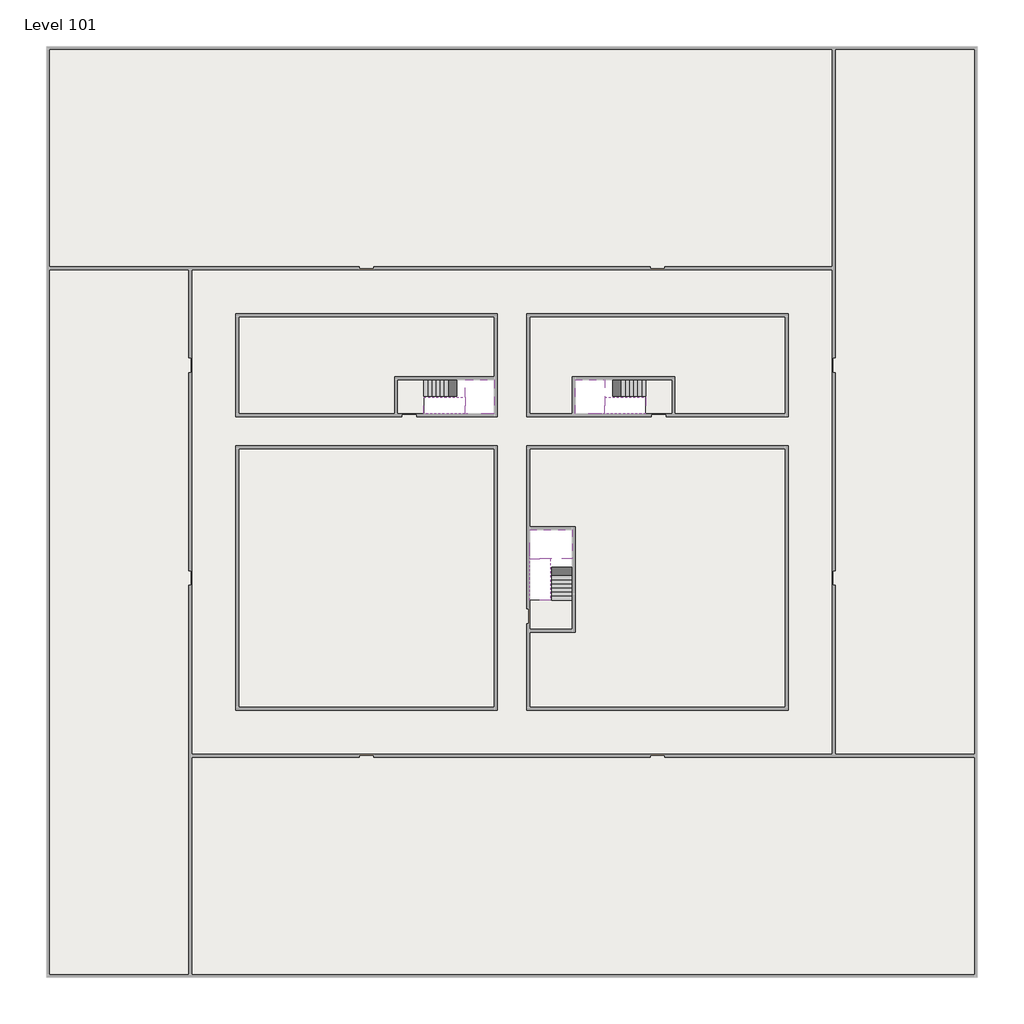
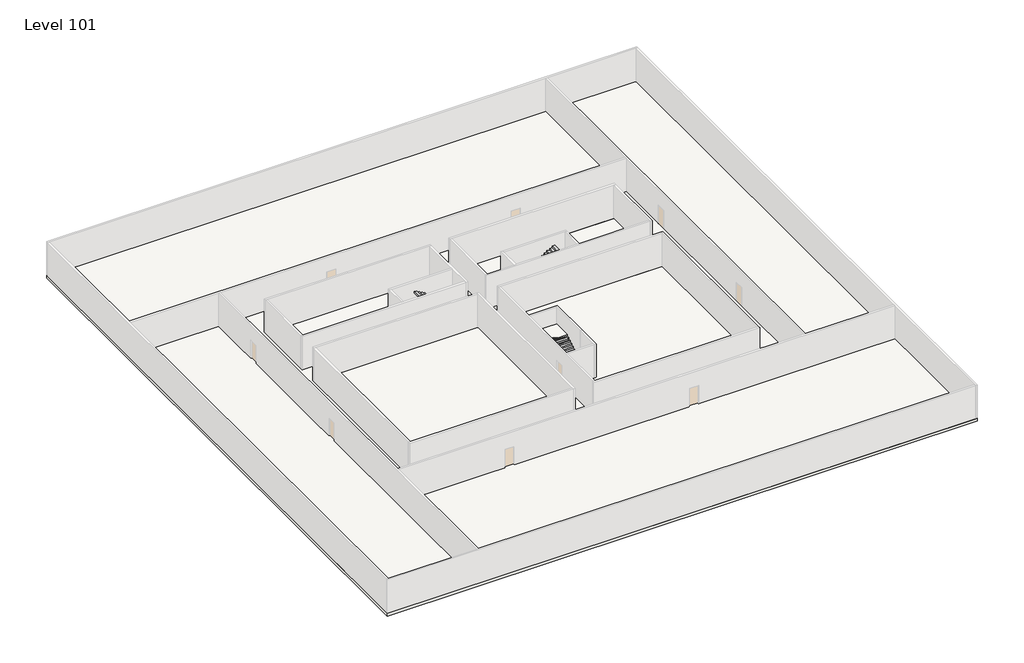
# One storey, part 2 of 2: 6 slabs, 6 stair flights.
"""IFC4 building model written with IfcOpenShell, lengths in millimetres."""

from ifc_helpers import new_model, si_unit, frame, origin, place, context, project, spatial, polyline, outline, extrude, faceted_brep, element, save

model = new_model("IFC4")

# Units and contexts
model_context = context("Model", 3, world=origin())
ifc_project = project(units=[si_unit("LENGTHUNIT", "METRE", prefix="MILLI")], contexts=[model_context])

# Site, building, storey
site = spatial("IfcSite", under=ifc_project)
building = spatial("IfcBuilding", under=site)
storey = spatial("IfcBuildingStorey", under=building, Name="Level 101", Elevation=380000.0)

# Slabs
placement = place(None, origin())
element("IfcSlab", 1, at=placement, inside=storey, context=model_context, shape_type="SweptSolid", body=[
    extrude(outline(polyline([(55890.1058784, -5518.09644), (55890.1058784, -68918.09644), (-7509.8941216, -68918.09644), (-7509.8941216, -5518.09644), (55890.1058784, -5518.09644)]), holes=[polyline([(22990.1058784, -23918.09644), (5590.1058784, -23918.09644), (5590.1058784, -30518.09644), (22990.1058784, -30518.09644), (22990.1058784, -23918.09644)]), polyline([(42990.1058784, -23918.09644), (25390.1058784, -23918.09644), (25390.1058784, -30518.09644), (42990.1058784, -30518.09644), (42990.1058784, -23918.09644)]), polyline([(25390.1058784, -50518.09644), (42790.1058784, -50518.09644), (42790.1058784, -32918.09644), (25390.1058784, -32918.09644), (25390.1058784, -50518.09644)]), polyline([(22990.1058784, -32918.09644), (5590.1058784, -32918.09644), (5590.1058784, -50518.09644), (22990.1058784, -50518.09644), (22990.1058784, -32918.09644)])]), frame((0.0, 0.0, 379700.0), z_axis=(0.0, 0.0, 1.0), x_axis=(1.0, 0.0, 0.0)), (0.0, 0.0, 1.0), 300.0),
])
element("IfcSlab", 2, at=placement, inside=storey, context=model_context, shape_type="SweptSolid", body=[
    extrude(outline(polyline([(22990.1058784, -23918.09644), (22990.1058784, -28018.09644), (16190.1058784, -28018.09644), (16190.1058784, -30518.09644), (5590.1058784, -30518.09644), (5590.1058784, -23918.09644), (22990.1058784, -23918.09644)])), frame((0.0, 0.0, 379700.0), z_axis=(0.0, 0.0, 1.0), x_axis=(1.0, 0.0, 0.0)), (0.0, 0.0, 1.0), 300.0),
    extrude(outline(polyline([(42790.1058784, -23918.09644), (42790.1058784, -30518.09644), (35290.1058784, -30518.09644), (35290.1058784, -28018.09644), (28490.1058784, -28018.09644), (28490.1058784, -30518.09644), (25390.1058784, -30518.09644), (25390.1058784, -23918.09644), (42790.1058784, -23918.09644)])), frame((0.0, 0.0, 379700.0), z_axis=(0.0, 0.0, 1.0), x_axis=(1.0, 0.0, 0.0)), (0.0, 0.0, 1.0), 300.0),
    extrude(outline(polyline([(22990.1058784, -32918.09644), (22990.1058784, -50518.09644), (5590.1058784, -50518.09644), (5590.1058784, -32918.09644), (22990.1058784, -32918.09644)])), frame((0.0, 0.0, 379700.0), z_axis=(0.0, 0.0, 1.0), x_axis=(1.0, 0.0, 0.0)), (0.0, 0.0, 1.0), 300.0),
    extrude(outline(polyline([(25390.1058784, -38218.09644), (25390.1058784, -32918.09644), (42790.1058784, -32918.09644), (42790.1058784, -50518.09644), (25390.1058784, -50518.09644), (25390.1058784, -45418.09644), (28490.1058784, -45418.09644), (28490.1058784, -38218.09644), (25390.1058784, -38218.09644)])), frame((0.0, 0.0, 379700.0), z_axis=(0.0, 0.0, 1.0), x_axis=(1.0, 0.0, 0.0)), (0.0, 0.0, 1.0), 300.0),
])
element("IfcSlab", 3, at=placement, inside=storey, context=model_context, shape_type="Brep", body=[
    faceted_brep([(26890.1058784, -40418.09644, 381900.0), (28290.1058784, -40418.09644, 381900.0), (28290.1058784, -40338.7100038, 381900.0), (28290.1058784, -38418.09644, 381900.0), (25390.1058784, -38418.09644, 381900.0), (25390.1058784, -40217.4828763, 381900.0), (25390.1058784, -40418.09644, 381900.0), (26790.1058784, -40418.09644, 381900.0), (26890.1058784, -40418.09644, 381600.0), (26890.1058784, -40418.09644, 381551.0278478), (28290.1058784, -40418.09644, 381551.0278478), (28290.1058784, -40418.09644, 381727.2727273), (28290.1058784, -40338.7100038, 381600.0), (28290.1058784, -38418.09644, 381600.0), (25390.1058784, -38418.09644, 381600.0), (25390.1058784, -40217.4828763, 381600.0), (25390.1058784, -40418.09644, 381723.7551205), (26790.1058784, -40418.09644, 381723.7551205), (26790.1058784, -40418.09644, 381600.0), (26790.1058784, -40217.4828763, 381600.0), (26890.1058784, -40338.7100038, 381600.0)], [[[0, 1, 2, 3, 4, 5, 6, 7]], [[1, 0, 8, 9, 10, 11]], [[1, 11, 10, 12, 13, 3, 2]], [[4, 3, 13, 14]], [[4, 14, 15, 16, 6, 5]], [[7, 6, 16, 17]], [[0, 7, 17, 18, 8]], [[18, 19, 15, 14, 13, 12, 20, 8]], [[19, 18, 17]], [[20, 12, 10, 9]], [[8, 20, 9]], [[15, 19, 17, 16]]]),
])
element("IfcSlab", 4, at=placement, inside=storey, context=model_context, shape_type="Brep", body=[
    faceted_brep([(20990.1058784, -28218.09644, 381900.0), (20990.1058784, -29318.09644, 381900.0), (20990.1058784, -29418.09644, 381900.0), (20990.1058784, -30518.09644, 381900.0), (21190.7194421, -30518.09644, 381900.0), (22990.1058784, -30518.09644, 381900.0), (22990.1058784, -28218.09644, 381900.0), (21069.4923146, -28218.09644, 381900.0), (20990.1058784, -28218.09644, 381727.2727273), (20990.1058784, -28218.09644, 381551.0278478), (20990.1058784, -29318.09644, 381551.0278478), (20990.1058784, -29318.09644, 381600.0), (20990.1058784, -29418.09644, 381600.0), (20990.1058784, -29418.09644, 381723.7551205), (20990.1058784, -30518.09644, 381723.7551205), (21190.7194421, -30518.09644, 381600.0), (22990.1058784, -30518.09644, 381600.0), (22990.1058784, -28218.09644, 381600.0), (21069.4923146, -28218.09644, 381600.0), (21190.7194421, -29418.09644, 381600.0), (21069.4923146, -29318.09644, 381600.0)], [[[0, 1, 2, 3, 4, 5, 6, 7]], [[1, 0, 8, 9, 10, 11]], [[2, 1, 11, 12, 13]], [[3, 2, 13, 14]], [[3, 14, 15, 16, 5, 4]], [[6, 5, 16, 17]], [[9, 8, 0, 7, 6, 17, 18]], [[19, 12, 11, 20, 18, 17, 16, 15]], [[12, 19, 13]], [[18, 20, 10, 9]], [[20, 11, 10]], [[19, 15, 14, 13]]]),
])
element("IfcSlab", 5, at=placement, inside=storey, context=model_context, shape_type="Brep", body=[
    faceted_brep([(30490.1058784, -29318.09644, 381900.0), (30490.1058784, -28218.09644, 381900.0), (30410.7194421, -28218.09644, 381900.0), (28490.1058784, -28218.09644, 381900.0), (28490.1058784, -30518.09644, 381900.0), (30289.4923146, -30518.09644, 381900.0), (30490.1058784, -30518.09644, 381900.0), (30490.1058784, -29418.09644, 381900.0), (30490.1058784, -29318.09644, 381600.0), (30490.1058784, -29318.09644, 381551.0278478), (30490.1058784, -28218.09644, 381551.0278478), (30490.1058784, -28218.09644, 381727.2727273), (30490.1058784, -29418.09644, 381723.7551205), (30490.1058784, -29418.09644, 381600.0), (30490.1058784, -30518.09644, 381723.7551205), (28490.1058784, -30518.09644, 381600.0), (30289.4923146, -30518.09644, 381600.0), (28490.1058784, -28218.09644, 381600.0), (30410.7194421, -28218.09644, 381600.0), (30289.4923146, -29418.09644, 381600.0), (30410.7194421, -29318.09644, 381600.0)], [[[0, 1, 2, 3, 4, 5, 6, 7]], [[1, 0, 8, 9, 10, 11]], [[0, 7, 12, 13, 8]], [[7, 6, 14, 12]], [[4, 15, 16, 14, 6, 5]], [[4, 3, 17, 15]], [[1, 11, 10, 18, 17, 3, 2]], [[13, 19, 16, 15, 17, 18, 20, 8]], [[20, 18, 10, 9]], [[8, 20, 9]], [[16, 19, 12, 14]], [[19, 13, 12]]]),
])
element("IfcSlab", 6, at=placement, inside=storey, context=model_context, shape_type="SweptSolid", body=[
    extrude(outline(polyline([(35090.1058784, -28218.09644), (35090.1058784, -30518.09644), (33290.1058784, -30518.09644), (33290.1058784, -28218.09644), (35090.1058784, -28218.09644)])), frame((0.0, 0.0, 379700.0), z_axis=(0.0, 0.0, 1.0), x_axis=(1.0, 0.0, 0.0)), (0.0, 0.0, 1.0), 300.0),
    extrude(outline(polyline([(18190.1058784, -28218.09644), (18190.1058784, -30518.09644), (16390.1058784, -30518.09644), (16390.1058784, -28218.09644), (18190.1058784, -28218.09644)])), frame((0.0, 0.0, 379700.0), z_axis=(0.0, 0.0, 1.0), x_axis=(1.0, 0.0, 0.0)), (0.0, 0.0, 1.0), 300.0),
    extrude(outline(polyline([(28290.1058784, -43218.09644), (28290.1058784, -45218.09644), (25390.1058784, -45218.09644), (25390.1058784, -43218.09644), (28290.1058784, -43218.09644)])), frame((0.0, 0.0, 379700.0), z_axis=(0.0, 0.0, 1.0), x_axis=(1.0, 0.0, 0.0)), (0.0, 0.0, 1.0), 300.0),
])

# Stair flights
element("IfcStairFlight", 7, at=placement, inside=storey, context=model_context, shape_type="Brep", body=[
    faceted_brep([(26890.1058784, -42938.09644, 380172.7272727), (26890.1058784, -43218.09644, 380172.7272727), (28290.1058784, -43218.09644, 380172.7272727), (28290.1058784, -42938.09644, 380172.7272727), (26890.1058784, -42938.09644, 380000.0), (26890.1058784, -43218.09644, 380000.0), (28290.1058784, -43218.09644, 380000.0), (28290.1058784, -42938.09644, 380000.0), (26890.1058784, -42658.09644, 380345.4545455), (26890.1058784, -42938.09644, 380345.4545455), (28290.1058784, -42938.09644, 380345.4545455), (28290.1058784, -42658.09644, 380345.4545455), (26890.1058784, -42658.09644, 380169.209666), (26890.1058784, -42932.3942143, 380000.0), (28290.1058784, -42932.3942143, 380000.0), (28290.1058784, -42658.09644, 380169.209666), (26890.1058784, -42378.09644, 380518.1818182), (26890.1058784, -42658.09644, 380518.1818182), (28290.1058784, -42658.09644, 380518.1818182), (28290.1058784, -42378.09644, 380518.1818182), (26890.1058784, -42378.09644, 380341.9369387), (28290.1058784, -42378.09644, 380341.9369387), (26890.1058784, -42098.09644, 380690.9090909), (26890.1058784, -42378.09644, 380690.9090909), (28290.1058784, -42378.09644, 380690.9090909), (28290.1058784, -42098.09644, 380690.9090909), (26890.1058784, -42098.09644, 380514.6642114), (28290.1058784, -42098.09644, 380514.6642114), (26890.1058784, -41818.09644, 380863.6363636), (26890.1058784, -42098.09644, 380863.6363636), (28290.1058784, -42098.09644, 380863.6363636), (28290.1058784, -41818.09644, 380863.6363636), (26890.1058784, -41818.09644, 380687.3914841), (28290.1058784, -41818.09644, 380687.3914841), (26890.1058784, -41538.09644, 381036.3636364), (26890.1058784, -41818.09644, 381036.3636364), (28290.1058784, -41818.09644, 381036.3636364), (28290.1058784, -41538.09644, 381036.3636364), (26890.1058784, -41538.09644, 380860.1187569), (28290.1058784, -41538.09644, 380860.1187569), (26890.1058784, -41258.09644, 381209.0909091), (26890.1058784, -41538.09644, 381209.0909091), (28290.1058784, -41538.09644, 381209.0909091), (28290.1058784, -41258.09644, 381209.0909091), (26890.1058784, -41258.09644, 381032.8460296), (28290.1058784, -41258.09644, 381032.8460296), (26890.1058784, -40978.09644, 381381.8181818), (26890.1058784, -41258.09644, 381381.8181818), (28290.1058784, -41258.09644, 381381.8181818), (28290.1058784, -40978.09644, 381381.8181818), (26890.1058784, -40978.09644, 381205.5733023), (28290.1058784, -40978.09644, 381205.5733023), (26890.1058784, -40698.09644, 381554.5454545), (26890.1058784, -40978.09644, 381554.5454545), (28290.1058784, -40978.09644, 381554.5454545), (28290.1058784, -40698.09644, 381554.5454545), (26890.1058784, -40698.09644, 381378.3005751), (28290.1058784, -40698.09644, 381378.3005751), (26890.1058784, -40418.09644, 381727.2727273), (26890.1058784, -40698.09644, 381727.2727273), (28290.1058784, -40698.09644, 381727.2727273), (28290.1058784, -40418.09644, 381727.2727273), (26890.1058784, -40418.09644, 381600.0), (26890.1058784, -40418.09644, 381551.0278478), (28290.1058784, -40418.09644, 381551.0278478)], [[[0, 1, 2, 3]], [[1, 0, 4, 5]], [[2, 1, 5, 6]], [[3, 2, 6, 7]], [[8, 9, 10, 11]], [[4, 0, 9, 8, 12, 13]], [[0, 3, 10, 9]], [[3, 7, 14, 15, 11, 10]], [[16, 17, 18, 19]], [[17, 16, 20, 12, 8]], [[8, 11, 18, 17]], [[19, 18, 11, 15, 21]], [[22, 23, 24, 25]], [[23, 22, 26, 20, 16]], [[16, 19, 24, 23]], [[25, 24, 19, 21, 27]], [[28, 29, 30, 31]], [[29, 28, 32, 26, 22]], [[22, 25, 30, 29]], [[31, 30, 25, 27, 33]], [[34, 35, 36, 37]], [[35, 34, 38, 32, 28]], [[28, 31, 36, 35]], [[37, 36, 31, 33, 39]], [[40, 41, 42, 43]], [[41, 40, 44, 38, 34]], [[34, 37, 42, 41]], [[43, 42, 37, 39, 45]], [[46, 47, 48, 49]], [[47, 46, 50, 44, 40]], [[40, 43, 48, 47]], [[49, 48, 43, 45, 51]], [[52, 53, 54, 55]], [[53, 52, 56, 50, 46]], [[46, 49, 54, 53]], [[55, 54, 49, 51, 57]], [[58, 59, 60, 61]], [[59, 58, 62, 63, 56, 52]], [[52, 55, 60, 59]], [[61, 60, 55, 57, 64]], [[58, 61, 64, 63, 62]], [[5, 4, 13, 14, 7, 6]], [[14, 13, 12, 20, 26, 32, 38, 44, 50, 56, 63, 64, 57, 51, 45, 39, 33, 27, 21, 15]]]),
])
element("IfcStairFlight", 8, at=placement, inside=storey, context=model_context, shape_type="Brep", body=[
    faceted_brep([(26790.1058784, -40698.09644, 382072.7272727), (26790.1058784, -40418.09644, 382072.7272727), (25390.1058784, -40418.09644, 382072.7272727), (25390.1058784, -40698.09644, 382072.7272727), (26790.1058784, -40698.09644, 381896.4823932), (26790.1058784, -40418.09644, 381723.7551205), (25390.1058784, -40418.09644, 381723.7551205), (25390.1058784, -40418.09644, 381900.0), (25390.1058784, -40698.09644, 381896.4823932), (26790.1058784, -40978.09644, 382245.4545455), (26790.1058784, -40698.09644, 382245.4545455), (25390.1058784, -40698.09644, 382245.4545455), (25390.1058784, -40978.09644, 382245.4545455), (26790.1058784, -40978.09644, 382069.209666), (25390.1058784, -40978.09644, 382069.209666), (26790.1058784, -41258.09644, 382418.1818182), (26790.1058784, -40978.09644, 382418.1818182), (25390.1058784, -40978.09644, 382418.1818182), (25390.1058784, -41258.09644, 382418.1818182), (26790.1058784, -41258.09644, 382241.9369387), (25390.1058784, -41258.09644, 382241.9369387), (26790.1058784, -41538.09644, 382590.9090909), (26790.1058784, -41258.09644, 382590.9090909), (25390.1058784, -41258.09644, 382590.9090909), (25390.1058784, -41538.09644, 382590.9090909), (26790.1058784, -41538.09644, 382414.6642114), (25390.1058784, -41538.09644, 382414.6642114), (26790.1058784, -41818.09644, 382763.6363636), (26790.1058784, -41538.09644, 382763.6363636), (25390.1058784, -41538.09644, 382763.6363636), (25390.1058784, -41818.09644, 382763.6363636), (26790.1058784, -41818.09644, 382587.3914841), (25390.1058784, -41818.09644, 382587.3914841), (26790.1058784, -42098.09644, 382936.3636364), (26790.1058784, -41818.09644, 382936.3636364), (25390.1058784, -41818.09644, 382936.3636364), (25390.1058784, -42098.09644, 382936.3636364), (26790.1058784, -42098.09644, 382760.1187569), (25390.1058784, -42098.09644, 382760.1187569), (26790.1058784, -42378.09644, 383109.0909091), (26790.1058784, -42098.09644, 383109.0909091), (25390.1058784, -42098.09644, 383109.0909091), (25390.1058784, -42378.09644, 383109.0909091), (26790.1058784, -42378.09644, 382932.8460296), (25390.1058784, -42378.09644, 382932.8460296), (26790.1058784, -42658.09644, 383281.8181818), (26790.1058784, -42378.09644, 383281.8181818), (25390.1058784, -42378.09644, 383281.8181818), (25390.1058784, -42658.09644, 383281.8181818), (26790.1058784, -42658.09644, 383105.5733023), (25390.1058784, -42658.09644, 383105.5733023), (26790.1058784, -42938.09644, 383454.5454545), (26790.1058784, -42658.09644, 383454.5454545), (25390.1058784, -42658.09644, 383454.5454545), (25390.1058784, -42938.09644, 383454.5454545), (26790.1058784, -42938.09644, 383278.3005751), (25390.1058784, -42938.09644, 383278.3005751), (26790.1058784, -43218.09644, 383627.2727273), (26790.1058784, -42938.09644, 383627.2727273), (25390.1058784, -42938.09644, 383627.2727273), (25390.1058784, -43218.09644, 383627.2727273), (26790.1058784, -43218.09644, 383451.0278478), (25390.1058784, -43218.09644, 383451.0278478)], [[[0, 1, 2, 3]], [[1, 0, 4, 5]], [[2, 1, 5, 6, 7]], [[3, 2, 7, 6, 8]], [[9, 10, 11, 12]], [[10, 9, 13, 4, 0]], [[11, 10, 0, 3]], [[12, 11, 3, 8, 14]], [[15, 16, 17, 18]], [[16, 15, 19, 13, 9]], [[17, 16, 9, 12]], [[18, 17, 12, 14, 20]], [[21, 22, 23, 24]], [[22, 21, 25, 19, 15]], [[23, 22, 15, 18]], [[24, 23, 18, 20, 26]], [[27, 28, 29, 30]], [[28, 27, 31, 25, 21]], [[29, 28, 21, 24]], [[30, 29, 24, 26, 32]], [[33, 34, 35, 36]], [[34, 33, 37, 31, 27]], [[35, 34, 27, 30]], [[36, 35, 30, 32, 38]], [[39, 40, 41, 42]], [[40, 39, 43, 37, 33]], [[41, 40, 33, 36]], [[42, 41, 36, 38, 44]], [[45, 46, 47, 48]], [[46, 45, 49, 43, 39]], [[47, 46, 39, 42]], [[48, 47, 42, 44, 50]], [[51, 52, 53, 54]], [[52, 51, 55, 49, 45]], [[53, 52, 45, 48]], [[54, 53, 48, 50, 56]], [[57, 58, 59, 60]], [[58, 57, 61, 55, 51]], [[59, 58, 51, 54]], [[60, 59, 54, 56, 62]], [[57, 60, 62, 61]], [[5, 4, 13, 19, 25, 31, 37, 43, 49, 55, 61, 62, 56, 50, 44, 38, 32, 26, 20, 14, 8, 6]]]),
])
element("IfcStairFlight", 9, at=placement, inside=storey, context=model_context, shape_type="Brep", body=[
    faceted_brep([(18470.1058784, -28218.09644, 380172.7272727), (18190.1058784, -28218.09644, 380172.7272727), (18190.1058784, -29318.09644, 380172.7272727), (18470.1058784, -29318.09644, 380172.7272727), (18470.1058784, -28218.09644, 380000.0), (18190.1058784, -28218.09644, 380000.0), (18190.1058784, -29318.09644, 380000.0), (18470.1058784, -29318.09644, 380000.0), (18750.1058784, -28218.09644, 380345.4545455), (18470.1058784, -28218.09644, 380345.4545455), (18470.1058784, -29318.09644, 380345.4545455), (18750.1058784, -29318.09644, 380345.4545455), (18750.1058784, -28218.09644, 380169.209666), (18475.8081041, -28218.09644, 380000.0), (18475.8081041, -29318.09644, 380000.0), (18750.1058784, -29318.09644, 380169.209666), (19030.1058784, -28218.09644, 380518.1818182), (18750.1058784, -28218.09644, 380518.1818182), (18750.1058784, -29318.09644, 380518.1818182), (19030.1058784, -29318.09644, 380518.1818182), (19030.1058784, -28218.09644, 380341.9369387), (19030.1058784, -29318.09644, 380341.9369387), (19310.1058784, -28218.09644, 380690.9090909), (19030.1058784, -28218.09644, 380690.9090909), (19030.1058784, -29318.09644, 380690.9090909), (19310.1058784, -29318.09644, 380690.9090909), (19310.1058784, -28218.09644, 380514.6642114), (19310.1058784, -29318.09644, 380514.6642114), (19590.1058784, -28218.09644, 380863.6363636), (19310.1058784, -28218.09644, 380863.6363636), (19310.1058784, -29318.09644, 380863.6363636), (19590.1058784, -29318.09644, 380863.6363636), (19590.1058784, -28218.09644, 380687.3914841), (19590.1058784, -29318.09644, 380687.3914841), (19870.1058784, -28218.09644, 381036.3636364), (19590.1058784, -28218.09644, 381036.3636364), (19590.1058784, -29318.09644, 381036.3636364), (19870.1058784, -29318.09644, 381036.3636364), (19870.1058784, -28218.09644, 380860.1187569), (19870.1058784, -29318.09644, 380860.1187569), (20150.1058784, -28218.09644, 381209.0909091), (19870.1058784, -28218.09644, 381209.0909091), (19870.1058784, -29318.09644, 381209.0909091), (20150.1058784, -29318.09644, 381209.0909091), (20150.1058784, -28218.09644, 381032.8460296), (20150.1058784, -29318.09644, 381032.8460296), (20430.1058784, -28218.09644, 381381.8181818), (20150.1058784, -28218.09644, 381381.8181818), (20150.1058784, -29318.09644, 381381.8181818), (20430.1058784, -29318.09644, 381381.8181818), (20430.1058784, -28218.09644, 381205.5733023), (20430.1058784, -29318.09644, 381205.5733023), (20710.1058784, -28218.09644, 381554.5454545), (20430.1058784, -28218.09644, 381554.5454545), (20430.1058784, -29318.09644, 381554.5454545), (20710.1058784, -29318.09644, 381554.5454545), (20710.1058784, -28218.09644, 381378.3005751), (20710.1058784, -29318.09644, 381378.3005751), (20990.1058784, -28218.09644, 381727.2727273), (20710.1058784, -28218.09644, 381727.2727273), (20710.1058784, -29318.09644, 381727.2727273), (20990.1058784, -29318.09644, 381727.2727273), (20990.1058784, -28218.09644, 381551.0278478), (20990.1058784, -29318.09644, 381551.0278478), (20990.1058784, -29318.09644, 381600.0)], [[[0, 1, 2, 3]], [[1, 0, 4, 5]], [[2, 1, 5, 6]], [[3, 2, 6, 7]], [[8, 9, 10, 11]], [[4, 0, 9, 8, 12, 13]], [[0, 3, 10, 9]], [[3, 7, 14, 15, 11, 10]], [[16, 17, 18, 19]], [[17, 16, 20, 12, 8]], [[8, 11, 18, 17]], [[19, 18, 11, 15, 21]], [[22, 23, 24, 25]], [[23, 22, 26, 20, 16]], [[16, 19, 24, 23]], [[25, 24, 19, 21, 27]], [[28, 29, 30, 31]], [[29, 28, 32, 26, 22]], [[22, 25, 30, 29]], [[31, 30, 25, 27, 33]], [[34, 35, 36, 37]], [[35, 34, 38, 32, 28]], [[28, 31, 36, 35]], [[37, 36, 31, 33, 39]], [[40, 41, 42, 43]], [[41, 40, 44, 38, 34]], [[34, 37, 42, 41]], [[43, 42, 37, 39, 45]], [[46, 47, 48, 49]], [[47, 46, 50, 44, 40]], [[40, 43, 48, 47]], [[49, 48, 43, 45, 51]], [[52, 53, 54, 55]], [[53, 52, 56, 50, 46]], [[46, 49, 54, 53]], [[55, 54, 49, 51, 57]], [[58, 59, 60, 61]], [[59, 58, 62, 56, 52]], [[52, 55, 60, 59]], [[61, 60, 55, 57, 63, 64]], [[58, 61, 64, 63, 62]], [[5, 4, 13, 14, 7, 6]], [[14, 13, 12, 20, 26, 32, 38, 44, 50, 56, 62, 63, 57, 51, 45, 39, 33, 27, 21, 15]]]),
])
element("IfcStairFlight", 10, at=placement, inside=storey, context=model_context, shape_type="Brep", body=[
    faceted_brep([(20710.1058784, -30518.09644, 382072.7272727), (20990.1058784, -30518.09644, 382072.7272727), (20990.1058784, -29418.09644, 382072.7272727), (20710.1058784, -29418.09644, 382072.7272727), (20710.1058784, -30518.09644, 381896.4823932), (20990.1058784, -30518.09644, 381723.7551205), (20990.1058784, -30518.09644, 381900.0), (20990.1058784, -29418.09644, 381723.7551205), (20710.1058784, -29418.09644, 381896.4823932), (20430.1058784, -30518.09644, 382245.4545455), (20710.1058784, -30518.09644, 382245.4545455), (20710.1058784, -29418.09644, 382245.4545455), (20430.1058784, -29418.09644, 382245.4545455), (20430.1058784, -30518.09644, 382069.209666), (20430.1058784, -29418.09644, 382069.209666), (20150.1058784, -30518.09644, 382418.1818182), (20430.1058784, -30518.09644, 382418.1818182), (20430.1058784, -29418.09644, 382418.1818182), (20150.1058784, -29418.09644, 382418.1818182), (20150.1058784, -30518.09644, 382241.9369387), (20150.1058784, -29418.09644, 382241.9369387), (19870.1058784, -30518.09644, 382590.9090909), (20150.1058784, -30518.09644, 382590.9090909), (20150.1058784, -29418.09644, 382590.9090909), (19870.1058784, -29418.09644, 382590.9090909), (19870.1058784, -30518.09644, 382414.6642114), (19870.1058784, -29418.09644, 382414.6642114), (19590.1058784, -30518.09644, 382763.6363636), (19870.1058784, -30518.09644, 382763.6363636), (19870.1058784, -29418.09644, 382763.6363636), (19590.1058784, -29418.09644, 382763.6363636), (19590.1058784, -30518.09644, 382587.3914841), (19590.1058784, -29418.09644, 382587.3914841), (19310.1058784, -30518.09644, 382936.3636364), (19590.1058784, -30518.09644, 382936.3636364), (19590.1058784, -29418.09644, 382936.3636364), (19310.1058784, -29418.09644, 382936.3636364), (19310.1058784, -30518.09644, 382760.1187569), (19310.1058784, -29418.09644, 382760.1187569), (19030.1058784, -30518.09644, 383109.0909091), (19310.1058784, -30518.09644, 383109.0909091), (19310.1058784, -29418.09644, 383109.0909091), (19030.1058784, -29418.09644, 383109.0909091), (19030.1058784, -30518.09644, 382932.8460296), (19030.1058784, -29418.09644, 382932.8460296), (18750.1058784, -30518.09644, 383281.8181818), (19030.1058784, -30518.09644, 383281.8181818), (19030.1058784, -29418.09644, 383281.8181818), (18750.1058784, -29418.09644, 383281.8181818), (18750.1058784, -30518.09644, 383105.5733023), (18750.1058784, -29418.09644, 383105.5733023), (18470.1058784, -30518.09644, 383454.5454545), (18750.1058784, -30518.09644, 383454.5454545), (18750.1058784, -29418.09644, 383454.5454545), (18470.1058784, -29418.09644, 383454.5454545), (18470.1058784, -30518.09644, 383278.3005751), (18470.1058784, -29418.09644, 383278.3005751), (18190.1058784, -30518.09644, 383627.2727273), (18470.1058784, -30518.09644, 383627.2727273), (18470.1058784, -29418.09644, 383627.2727273), (18190.1058784, -29418.09644, 383627.2727273), (18190.1058784, -30518.09644, 383451.0278478), (18190.1058784, -29418.09644, 383451.0278478)], [[[0, 1, 2, 3]], [[1, 0, 4, 5, 6]], [[2, 1, 6, 5, 7]], [[3, 2, 7, 8]], [[9, 10, 11, 12]], [[10, 9, 13, 4, 0]], [[11, 10, 0, 3]], [[12, 11, 3, 8, 14]], [[15, 16, 17, 18]], [[16, 15, 19, 13, 9]], [[17, 16, 9, 12]], [[18, 17, 12, 14, 20]], [[21, 22, 23, 24]], [[22, 21, 25, 19, 15]], [[23, 22, 15, 18]], [[24, 23, 18, 20, 26]], [[27, 28, 29, 30]], [[28, 27, 31, 25, 21]], [[29, 28, 21, 24]], [[30, 29, 24, 26, 32]], [[33, 34, 35, 36]], [[34, 33, 37, 31, 27]], [[35, 34, 27, 30]], [[36, 35, 30, 32, 38]], [[39, 40, 41, 42]], [[40, 39, 43, 37, 33]], [[41, 40, 33, 36]], [[42, 41, 36, 38, 44]], [[45, 46, 47, 48]], [[46, 45, 49, 43, 39]], [[47, 46, 39, 42]], [[48, 47, 42, 44, 50]], [[51, 52, 53, 54]], [[52, 51, 55, 49, 45]], [[53, 52, 45, 48]], [[54, 53, 48, 50, 56]], [[57, 58, 59, 60]], [[58, 57, 61, 55, 51]], [[59, 58, 51, 54]], [[60, 59, 54, 56, 62]], [[57, 60, 62, 61]], [[5, 4, 13, 19, 25, 31, 37, 43, 49, 55, 61, 62, 56, 50, 44, 38, 32, 26, 20, 14, 8, 7]]]),
])
element("IfcStairFlight", 11, at=placement, inside=storey, context=model_context, shape_type="Brep", body=[
    faceted_brep([(33010.1058784, -29318.09644, 380172.7272727), (33290.1058784, -29318.09644, 380172.7272727), (33290.1058784, -28218.09644, 380172.7272727), (33010.1058784, -28218.09644, 380172.7272727), (33290.1058784, -28218.09644, 380000.0), (33010.1058784, -28218.09644, 380000.0), (33290.1058784, -29318.09644, 380000.0), (33010.1058784, -29318.09644, 380000.0), (32730.1058784, -29318.09644, 380345.4545455), (33010.1058784, -29318.09644, 380345.4545455), (33010.1058784, -28218.09644, 380345.4545455), (32730.1058784, -28218.09644, 380345.4545455), (33004.4036527, -28218.09644, 380000.0), (32730.1058784, -28218.09644, 380169.209666), (32730.1058784, -29318.09644, 380169.209666), (33004.4036527, -29318.09644, 380000.0), (32450.1058784, -29318.09644, 380518.1818182), (32730.1058784, -29318.09644, 380518.1818182), (32730.1058784, -28218.09644, 380518.1818182), (32450.1058784, -28218.09644, 380518.1818182), (32450.1058784, -28218.09644, 380341.9369387), (32450.1058784, -29318.09644, 380341.9369387), (32170.1058784, -29318.09644, 380690.9090909), (32450.1058784, -29318.09644, 380690.9090909), (32450.1058784, -28218.09644, 380690.9090909), (32170.1058784, -28218.09644, 380690.9090909), (32170.1058784, -28218.09644, 380514.6642114), (32170.1058784, -29318.09644, 380514.6642114), (31890.1058784, -29318.09644, 380863.6363636), (32170.1058784, -29318.09644, 380863.6363636), (32170.1058784, -28218.09644, 380863.6363636), (31890.1058784, -28218.09644, 380863.6363636), (31890.1058784, -28218.09644, 380687.3914841), (31890.1058784, -29318.09644, 380687.3914841), (31610.1058784, -29318.09644, 381036.3636364), (31890.1058784, -29318.09644, 381036.3636364), (31890.1058784, -28218.09644, 381036.3636364), (31610.1058784, -28218.09644, 381036.3636364), (31610.1058784, -28218.09644, 380860.1187569), (31610.1058784, -29318.09644, 380860.1187569), (31330.1058784, -29318.09644, 381209.0909091), (31610.1058784, -29318.09644, 381209.0909091), (31610.1058784, -28218.09644, 381209.0909091), (31330.1058784, -28218.09644, 381209.0909091), (31330.1058784, -28218.09644, 381032.8460296), (31330.1058784, -29318.09644, 381032.8460296), (31050.1058784, -29318.09644, 381381.8181818), (31330.1058784, -29318.09644, 381381.8181818), (31330.1058784, -28218.09644, 381381.8181818), (31050.1058784, -28218.09644, 381381.8181818), (31050.1058784, -28218.09644, 381205.5733023), (31050.1058784, -29318.09644, 381205.5733023), (30770.1058784, -29318.09644, 381554.5454545), (31050.1058784, -29318.09644, 381554.5454545), (31050.1058784, -28218.09644, 381554.5454545), (30770.1058784, -28218.09644, 381554.5454545), (30770.1058784, -28218.09644, 381378.3005751), (30770.1058784, -29318.09644, 381378.3005751), (30490.1058784, -29318.09644, 381727.2727273), (30770.1058784, -29318.09644, 381727.2727273), (30770.1058784, -28218.09644, 381727.2727273), (30490.1058784, -28218.09644, 381727.2727273), (30490.1058784, -28218.09644, 381551.0278478), (30490.1058784, -29318.09644, 381600.0), (30490.1058784, -29318.09644, 381551.0278478)], [[[0, 1, 2, 3]], [[3, 2, 4, 5]], [[2, 1, 6, 4]], [[1, 0, 7, 6]], [[8, 9, 10, 11]], [[3, 5, 12, 13, 11, 10]], [[0, 3, 10, 9]], [[7, 0, 9, 8, 14, 15]], [[16, 17, 18, 19]], [[19, 18, 11, 13, 20]], [[8, 11, 18, 17]], [[17, 16, 21, 14, 8]], [[22, 23, 24, 25]], [[25, 24, 19, 20, 26]], [[16, 19, 24, 23]], [[23, 22, 27, 21, 16]], [[28, 29, 30, 31]], [[31, 30, 25, 26, 32]], [[22, 25, 30, 29]], [[29, 28, 33, 27, 22]], [[34, 35, 36, 37]], [[37, 36, 31, 32, 38]], [[28, 31, 36, 35]], [[35, 34, 39, 33, 28]], [[40, 41, 42, 43]], [[43, 42, 37, 38, 44]], [[34, 37, 42, 41]], [[41, 40, 45, 39, 34]], [[46, 47, 48, 49]], [[49, 48, 43, 44, 50]], [[40, 43, 48, 47]], [[47, 46, 51, 45, 40]], [[52, 53, 54, 55]], [[55, 54, 49, 50, 56]], [[46, 49, 54, 53]], [[53, 52, 57, 51, 46]], [[58, 59, 60, 61]], [[61, 60, 55, 56, 62]], [[52, 55, 60, 59]], [[59, 58, 63, 64, 57, 52]], [[58, 61, 62, 64, 63]], [[6, 7, 15, 12, 5, 4]], [[12, 15, 14, 21, 27, 33, 39, 45, 51, 57, 64, 62, 56, 50, 44, 38, 32, 26, 20, 13]]]),
])
element("IfcStairFlight", 12, at=placement, inside=storey, context=model_context, shape_type="Brep", body=[
    faceted_brep([(30770.1058784, -29418.09644, 382072.7272727), (30490.1058784, -29418.09644, 382072.7272727), (30490.1058784, -30518.09644, 382072.7272727), (30770.1058784, -30518.09644, 382072.7272727), (30490.1058784, -30518.09644, 381900.0), (30490.1058784, -30518.09644, 381723.7551205), (30770.1058784, -30518.09644, 381896.4823932), (30490.1058784, -29418.09644, 381723.7551205), (30770.1058784, -29418.09644, 381896.4823932), (31050.1058784, -29418.09644, 382245.4545455), (30770.1058784, -29418.09644, 382245.4545455), (30770.1058784, -30518.09644, 382245.4545455), (31050.1058784, -30518.09644, 382245.4545455), (31050.1058784, -30518.09644, 382069.209666), (31050.1058784, -29418.09644, 382069.209666), (31330.1058784, -29418.09644, 382418.1818182), (31050.1058784, -29418.09644, 382418.1818182), (31050.1058784, -30518.09644, 382418.1818182), (31330.1058784, -30518.09644, 382418.1818182), (31330.1058784, -30518.09644, 382241.9369387), (31330.1058784, -29418.09644, 382241.9369387), (31610.1058784, -29418.09644, 382590.9090909), (31330.1058784, -29418.09644, 382590.9090909), (31330.1058784, -30518.09644, 382590.9090909), (31610.1058784, -30518.09644, 382590.9090909), (31610.1058784, -30518.09644, 382414.6642114), (31610.1058784, -29418.09644, 382414.6642114), (31890.1058784, -29418.09644, 382763.6363636), (31610.1058784, -29418.09644, 382763.6363636), (31610.1058784, -30518.09644, 382763.6363636), (31890.1058784, -30518.09644, 382763.6363636), (31890.1058784, -30518.09644, 382587.3914841), (31890.1058784, -29418.09644, 382587.3914841), (32170.1058784, -29418.09644, 382936.3636364), (31890.1058784, -29418.09644, 382936.3636364), (31890.1058784, -30518.09644, 382936.3636364), (32170.1058784, -30518.09644, 382936.3636364), (32170.1058784, -30518.09644, 382760.1187569), (32170.1058784, -29418.09644, 382760.1187569), (32450.1058784, -29418.09644, 383109.0909091), (32170.1058784, -29418.09644, 383109.0909091), (32170.1058784, -30518.09644, 383109.0909091), (32450.1058784, -30518.09644, 383109.0909091), (32450.1058784, -30518.09644, 382932.8460296), (32450.1058784, -29418.09644, 382932.8460296), (32730.1058784, -29418.09644, 383281.8181818), (32450.1058784, -29418.09644, 383281.8181818), (32450.1058784, -30518.09644, 383281.8181818), (32730.1058784, -30518.09644, 383281.8181818), (32730.1058784, -30518.09644, 383105.5733023), (32730.1058784, -29418.09644, 383105.5733023), (33010.1058784, -29418.09644, 383454.5454545), (32730.1058784, -29418.09644, 383454.5454545), (32730.1058784, -30518.09644, 383454.5454545), (33010.1058784, -30518.09644, 383454.5454545), (33010.1058784, -30518.09644, 383278.3005751), (33010.1058784, -29418.09644, 383278.3005751), (33290.1058784, -29418.09644, 383627.2727273), (33010.1058784, -29418.09644, 383627.2727273), (33010.1058784, -30518.09644, 383627.2727273), (33290.1058784, -30518.09644, 383627.2727273), (33290.1058784, -30518.09644, 383451.0278478), (33290.1058784, -29418.09644, 383451.0278478)], [[[0, 1, 2, 3]], [[3, 2, 4, 5, 6]], [[2, 1, 7, 5, 4]], [[1, 0, 8, 7]], [[9, 10, 11, 12]], [[12, 11, 3, 6, 13]], [[11, 10, 0, 3]], [[10, 9, 14, 8, 0]], [[15, 16, 17, 18]], [[18, 17, 12, 13, 19]], [[17, 16, 9, 12]], [[16, 15, 20, 14, 9]], [[21, 22, 23, 24]], [[24, 23, 18, 19, 25]], [[23, 22, 15, 18]], [[22, 21, 26, 20, 15]], [[27, 28, 29, 30]], [[30, 29, 24, 25, 31]], [[29, 28, 21, 24]], [[28, 27, 32, 26, 21]], [[33, 34, 35, 36]], [[36, 35, 30, 31, 37]], [[35, 34, 27, 30]], [[34, 33, 38, 32, 27]], [[39, 40, 41, 42]], [[42, 41, 36, 37, 43]], [[41, 40, 33, 36]], [[40, 39, 44, 38, 33]], [[45, 46, 47, 48]], [[48, 47, 42, 43, 49]], [[47, 46, 39, 42]], [[46, 45, 50, 44, 39]], [[51, 52, 53, 54]], [[54, 53, 48, 49, 55]], [[53, 52, 45, 48]], [[52, 51, 56, 50, 45]], [[57, 58, 59, 60]], [[60, 59, 54, 55, 61]], [[59, 58, 51, 54]], [[58, 57, 62, 56, 51]], [[57, 60, 61, 62]], [[7, 8, 14, 20, 26, 32, 38, 44, 50, 56, 62, 61, 55, 49, 43, 37, 31, 25, 19, 13, 6, 5]]]),
])

save(model, "model.ifc")
